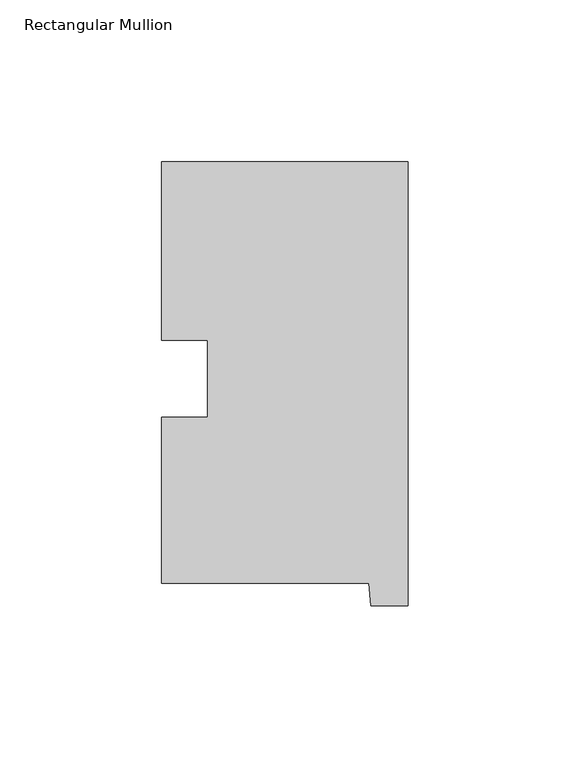
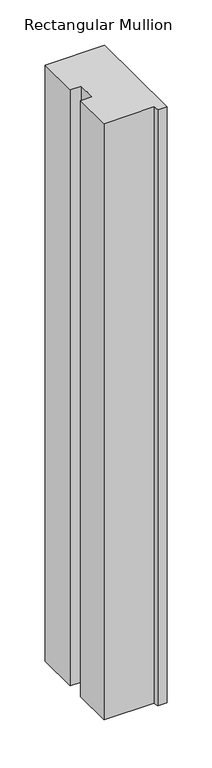
"""IFC4 building model written with IfcOpenShell, lengths in millimetres: member geometry, Rectangular Mullion."""

from ifc_helpers import new_model, si_unit, frame, origin, place, context, project, spatial, polyline, outline, extrude, source, transform, mapped, element, save


def rectangular_mullion_d8fcb6f5(model_context):
    return source(origin(), model_context, "Body", "SweptSolid", [
        extrude(outline(polyline([(-76.2, 130.56235), (0.0, 130.56235), (0.0, -6.64845), (-11.4023812, -6.64845), (-12.1549448, 0.26035), (-76.2, 0.26035), (-76.2, 51.60645), (-61.960125, 51.60645), (-61.960125, 75.40625), (-76.2, 75.40625), (-76.2, 130.56235)])), frame((0.0, 0.0, -804.0468109), z_axis=(0.0, 0.0, 1.0), x_axis=(1.0, 0.0, 0.0)), (0.0, 0.0, 1.0), 804.0468109),
    ])


if __name__ == "__main__":
    model = new_model("IFC4")
    model_context = context("Model", 3, world=origin())
    ifc_project = project(units=[si_unit("LENGTHUNIT", "METRE", prefix="MILLI")], contexts=[model_context])
    site = spatial("IfcSite", under=ifc_project)
    building = spatial("IfcBuilding", under=site)
    placement = place(None, origin())
    rectangular_mullion_shape = rectangular_mullion_d8fcb6f5(model_context)
    element("IfcMember", 1, ObjectType="Rectangular Mullion", at=placement, inside=building, context=model_context, shape_type="MappedRepresentation", body=[
        mapped(rectangular_mullion_shape, transform((0.0, 0.0, 0.0), x_axis=(1.0, 0.0, 0.0), y_axis=(0.0, 1.0, 0.0), z_axis=(0.0, 0.0, 1.0))),
    ])
    save(model, "model.ifc")
